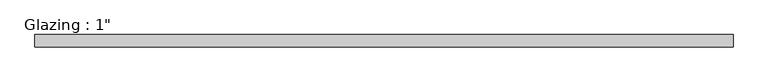
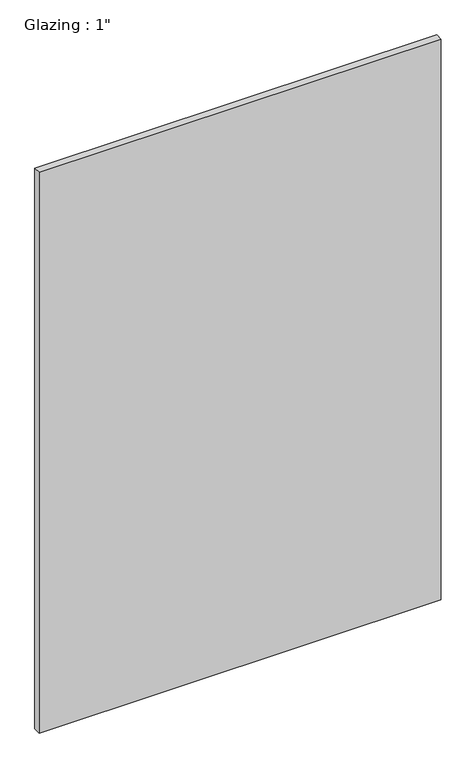
"""IFC4 building model written with IfcOpenShell, lengths in millimetres: plate geometry."""

from ifc_helpers import new_model, si_unit, origin, origin_with_axes, place, context, project, spatial, polyline, outline, extrude, source, transform, mapped, element, save


def plate_b41d9a26(model_context):
    return source(origin(), model_context, "Body", "SweptSolid", [
        extrude(outline(polyline([(710.632433, -12.7), (-710.632433, -12.7), (-710.632433, 12.7), (710.632433, 12.7), (710.632433, -12.7)])), origin_with_axes(), (0.0, 0.0, 1.0), 2094.5428768),
    ])


if __name__ == "__main__":
    model = new_model("IFC4")
    model_context = context("Model", 3, world=origin())
    ifc_project = project(units=[si_unit("LENGTHUNIT", "METRE", prefix="MILLI")], contexts=[model_context])
    site = spatial("IfcSite", under=ifc_project)
    building = spatial("IfcBuilding", under=site)
    placement = place(None, origin())
    plate_shape = plate_b41d9a26(model_context)
    element("IfcPlate", 1, ObjectType="Glazing : 1\"", at=placement, inside=building, context=model_context, shape_type="MappedRepresentation", body=[
        mapped(plate_shape, transform((0.0, 0.0, 0.0), x_axis=(1.0, 0.0, 0.0), y_axis=(0.0, 1.0, 0.0), z_axis=(0.0, 0.0, 1.0))),
    ])
    save(model, "model.ifc")
